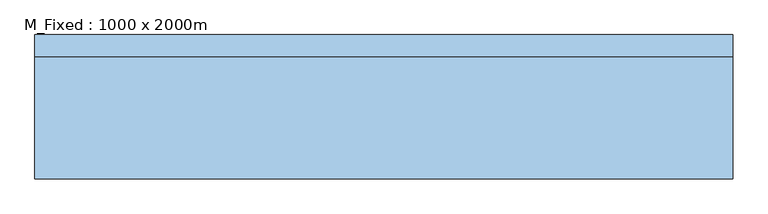
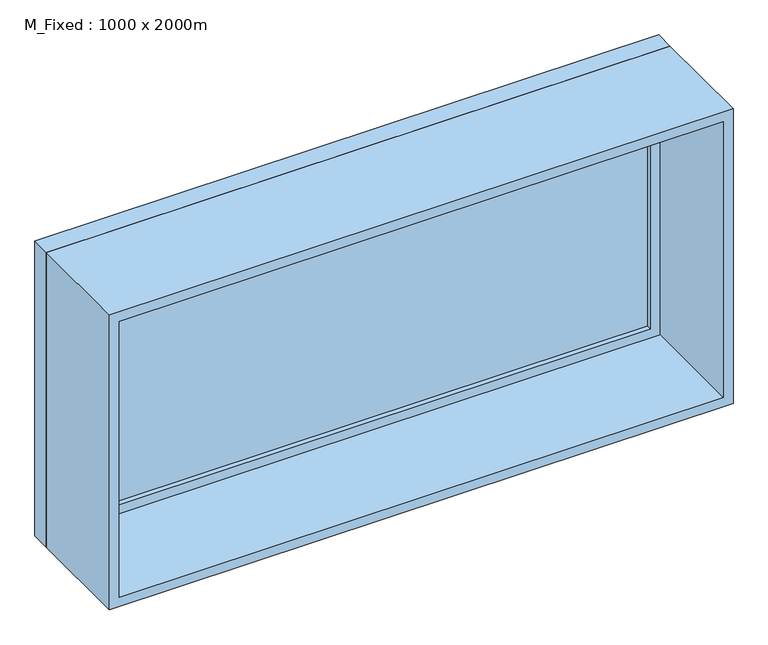
"""IFC4 building model written with IfcOpenShell, lengths in millimetres: window geometry, M_Fixed : 1000 x 2000m."""

from ifc_helpers import new_model, si_unit, frame, origin, place, context, project, spatial, polyline, outline, extrude, source, transform, mapped, element, save


def m_fixed_1000_x_2000m_dd52fbfc(model_context):
    return source(origin(), model_context, "Body", "SweptSolid", [
        extrude(outline(polyline([(-937.0, 185.0), (937.0, 185.0), (937.0, 173.0), (-937.0, 173.0), (-937.0, 185.0)])), frame((0.0, 0.0, 963.0), z_axis=(0.0, 0.0, 1.0), x_axis=(1.0, 0.0, 0.0)), (0.0, 0.0, 1.0), 874.0),
        extrude(outline(polyline([(1881.0, -981.0), (919.0, -981.0), (919.0, 981.0), (1881.0, 981.0), (1881.0, -981.0)]), holes=[polyline([(1837.0, -937.0), (1837.0, 937.0), (963.0, 937.0), (963.0, -937.0), (1837.0, -937.0)])]), frame((0.0, 157.0, 0.0), z_axis=(0.0, 1.0, 0.0), x_axis=(0.0, 0.0, 1.0)), (0.0, 0.0, 1.0), 44.0),
        extrude(outline(polyline([(1900.0, -1000.0), (900.0, -1000.0), (900.0, 1000.0), (1900.0, 1000.0), (1900.0, -1000.0)]), holes=[polyline([(1881.0, -981.0), (1881.0, 981.0), (919.0, 981.0), (919.0, -981.0), (1881.0, -981.0)])]), frame((0.0, 157.0, 0.0), z_axis=(0.0, 1.0, 0.0), x_axis=(0.0, 0.0, 1.0)), (0.0, 0.0, 1.0), 63.0),
        extrude(outline(polyline([(1900.0, -1000.0), (900.0, -1000.0), (900.0, 1000.0), (1900.0, 1000.0), (1900.0, -1000.0)]), holes=[polyline([(1868.0, -968.0), (1868.0, 968.0), (932.0, 968.0), (932.0, -968.0), (1868.0, -968.0)])]), frame((0.0, -194.0, 0.0), z_axis=(0.0, 1.0, 0.0), x_axis=(0.0, 0.0, 1.0)), (0.0, 0.0, 1.0), 351.0),
    ])


if __name__ == "__main__":
    model = new_model("IFC4")
    model_context = context("Model", 3, world=origin())
    ifc_project = project(units=[si_unit("LENGTHUNIT", "METRE", prefix="MILLI")], contexts=[model_context])
    site = spatial("IfcSite", under=ifc_project)
    building = spatial("IfcBuilding", under=site)
    placement = place(None, origin())
    m_fixed_1000_x_2000m_shape = m_fixed_1000_x_2000m_dd52fbfc(model_context)
    element("IfcWindow", 1, ObjectType="M_Fixed : 1000 x 2000m", at=placement, inside=building, context=model_context, shape_type="MappedRepresentation", body=[
        mapped(m_fixed_1000_x_2000m_shape, transform((0.0, 0.0, 0.0), x_axis=(1.0, 0.0, 0.0), y_axis=(0.0, 1.0, 0.0), z_axis=(0.0, 0.0, 1.0))),
    ])
    save(model, "model.ifc")
